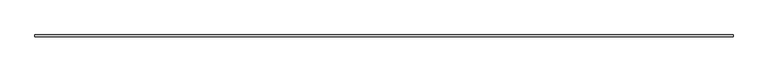
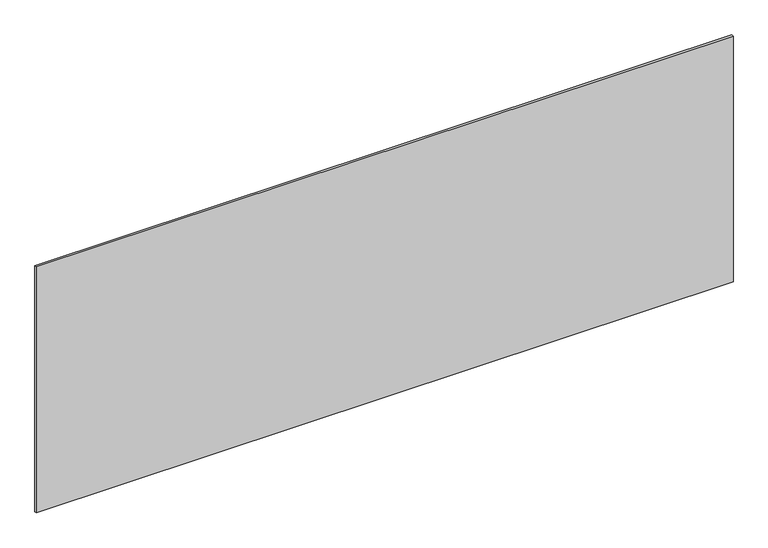
"""IFC4 building model written with IfcOpenShell, lengths in millimetres: plate geometry."""

from ifc_helpers import new_model, si_unit, origin, origin_with_axes, place, context, project, spatial, polyline, outline, extrude, source, transform, mapped, element, save


def plate_48b88b42(model_context):
    return source(origin(), model_context, "Body", "SweptSolid", [
        extrude(outline(polyline([(1697.5, -5.0), (-1697.5, -5.0), (-1697.5, 5.0), (1697.5, 5.0), (1697.5, -5.0)])), origin_with_axes(), (0.0, 0.0, 1.0), 1265.8860683),
    ])


if __name__ == "__main__":
    model = new_model("IFC4")
    model_context = context("Model", 3, world=origin())
    ifc_project = project(units=[si_unit("LENGTHUNIT", "METRE", prefix="MILLI")], contexts=[model_context])
    site = spatial("IfcSite", under=ifc_project)
    building = spatial("IfcBuilding", under=site)
    placement = place(None, origin())
    plate_shape = plate_48b88b42(model_context)
    element("IfcPlate", 1, at=placement, inside=building, context=model_context, shape_type="MappedRepresentation", body=[
        mapped(plate_shape, transform((0.0, 0.0, 0.0), x_axis=(1.0, 0.0, 0.0), y_axis=(0.0, 1.0, 0.0), z_axis=(0.0, 0.0, 1.0))),
    ])
    save(model, "model.ifc")
